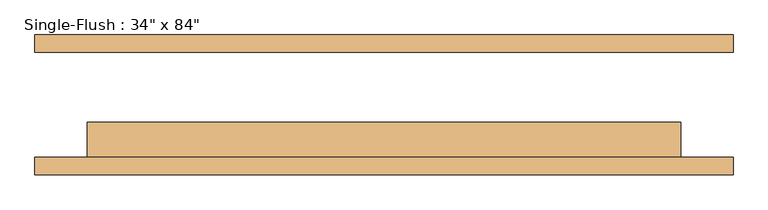
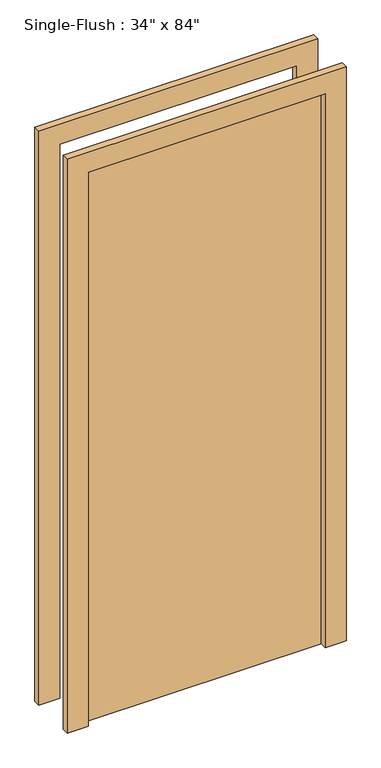
"""IFC4 building model written with IfcOpenShell, lengths in millimetres: door geometry."""

from ifc_helpers import new_model, si_unit, frame, origin, origin_with_axes, place, context, project, spatial, polyline, outline, extrude, source, transform, mapped, element, save


def door_99d96fc5(model_context):
    return source(origin(), model_context, "Body", "SweptSolid", [
        extrude(outline(polyline([(2209.8, -508.0), (0.0, -508.0), (0.0, -431.8), (2133.6, -431.8), (2133.6, 431.8), (0.0, 431.8), (0.0, 508.0), (2209.8, 508.0), (2209.8, -508.0)])), frame((0.0, -101.6, 0.0), z_axis=(0.0, 1.0, 0.0), x_axis=(0.0, 0.0, 1.0)), (0.0, 0.0, 1.0), 25.4),
        extrude(outline(polyline([(2209.8, 508.0), (2209.8, -508.0), (0.0, -508.0), (0.0, -431.8), (2133.6, -431.8), (2133.6, 431.8), (0.0, 431.8), (0.0, 508.0), (2209.8, 508.0)])), frame((0.0, 76.2, 0.0), z_axis=(0.0, 1.0, 0.0), x_axis=(0.0, 0.0, 1.0)), (0.0, 0.0, 1.0), 25.4),
        extrude(outline(polyline([(431.8, -25.4), (431.8, -76.2), (-431.8, -76.2), (-431.8, -25.4), (431.8, -25.4)])), origin_with_axes(), (0.0, 0.0, 1.0), 2133.6),
    ])


if __name__ == "__main__":
    model = new_model("IFC4")
    model_context = context("Model", 3, world=origin())
    ifc_project = project(units=[si_unit("LENGTHUNIT", "METRE", prefix="MILLI")], contexts=[model_context])
    site = spatial("IfcSite", under=ifc_project)
    building = spatial("IfcBuilding", under=site)
    placement = place(None, origin())
    door_shape = door_99d96fc5(model_context)
    element("IfcDoor", 1, ObjectType="Single-Flush : 34\" x 84\"", at=placement, inside=building, context=model_context, shape_type="MappedRepresentation", body=[
        mapped(door_shape, transform((0.0, 0.0, 0.0), x_axis=(1.0, 0.0, 0.0), y_axis=(0.0, 1.0, 0.0), z_axis=(0.0, 0.0, 1.0))),
    ])
    save(model, "model.ifc")
